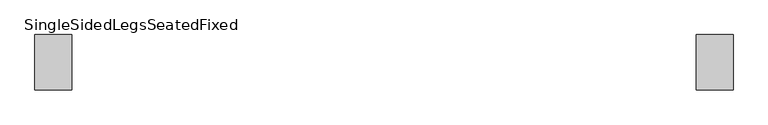
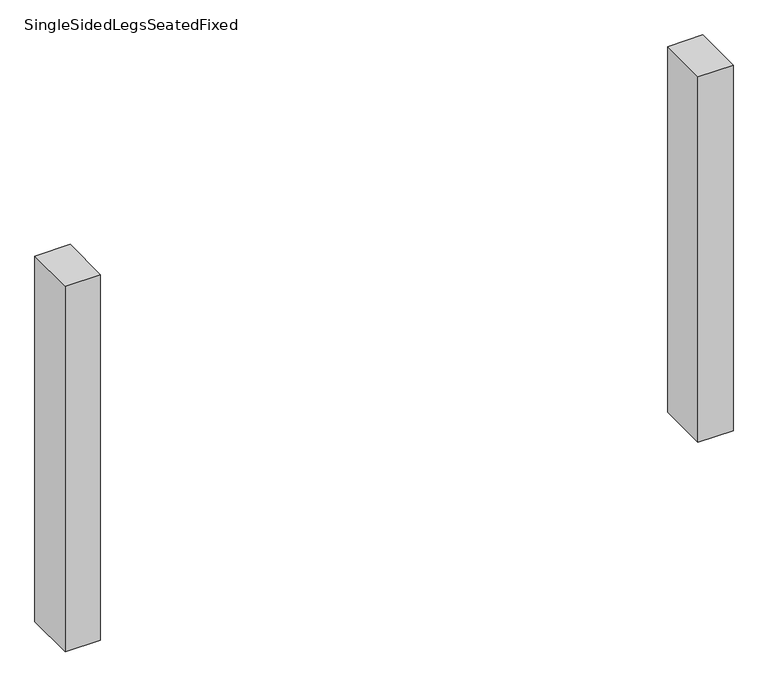
"""IFC4 building model written with IfcOpenShell, lengths in millimetres: furniture geometry, SingleSidedLegsSeatedFixed."""

from ifc_helpers import new_model, si_unit, frame, origin, place, context, project, spatial, polyline, outline, extrude, source, transform, mapped, element, save


def singlesidedlegsseatedfixed_02bd787a(model_context):
    return source(origin(), model_context, "Body", "SweptSolid", [
        extrude(outline(polyline([(509.9999968, -44.9963087), (509.9999968, 45.0036847), (570.0, 45.0036847), (570.0, -44.9963087), (509.9999968, -44.9963087)])), frame((0.0, 0.0, 50.0), z_axis=(0.0, 0.0, 1.0), x_axis=(1.0, 0.0, 0.0)), (0.0, 0.0, 1.0), 660.0),
        extrude(outline(polyline([(-509.9999968, -44.9963087), (-570.0, -44.9963087), (-570.0, 45.0036847), (-509.9999968, 45.0036847), (-509.9999968, -44.9963087)])), frame((0.0, 0.0, 50.0), z_axis=(0.0, 0.0, 1.0), x_axis=(1.0, 0.0, 0.0)), (0.0, 0.0, 1.0), 660.0),
    ])


if __name__ == "__main__":
    model = new_model("IFC4")
    model_context = context("Model", 3, world=origin())
    ifc_project = project(units=[si_unit("LENGTHUNIT", "METRE", prefix="MILLI")], contexts=[model_context])
    site = spatial("IfcSite", under=ifc_project)
    building = spatial("IfcBuilding", under=site)
    placement = place(None, origin())
    singlesidedlegsseatedfixed_shape = singlesidedlegsseatedfixed_02bd787a(model_context)
    element("IfcFurniture", 1, ObjectType="SingleSidedLegsSeatedFixed", at=placement, inside=building, context=model_context, shape_type="MappedRepresentation", body=[
        mapped(singlesidedlegsseatedfixed_shape, transform((0.0, 0.0, 0.0), x_axis=(1.0, 0.0, 0.0), y_axis=(0.0, 1.0, 0.0), z_axis=(0.0, 0.0, 1.0))),
    ])
    save(model, "model.ifc")
